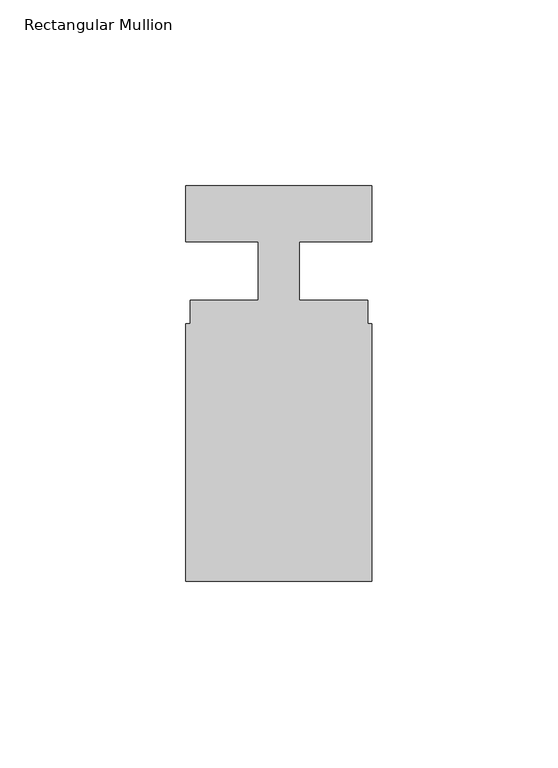
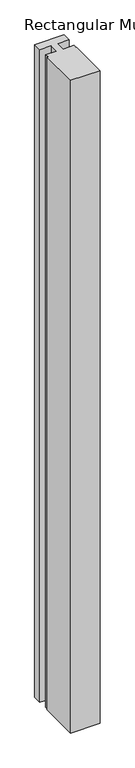
"""IFC4 building model written with IfcOpenShell, lengths in millimetres: member geometry, Rectangular Mullion."""

from ifc_helpers import new_model, si_unit, frame, origin, place, context, project, spatial, polyline, outline, extrude, source, transform, mapped, element, save


def rectangular_mullion_2772867e(model_context):
    return source(origin(), model_context, "Body", "SweptSolid", [
        extrude(outline(polyline([(25.0, -80.3), (-25.0, -80.3), (-25.0, -11.0), (-23.9, -11.0), (-23.9, -4.8), (-5.4999998, -4.8), (-5.4999998, 11.0), (-25.0, 11.0), (-25.0, 26.0), (25.0, 26.0), (25.0, 11.0), (5.5, 11.0), (5.5, -4.8), (23.9, -4.8), (23.9, -11.0), (25.0, -11.0), (25.0, -80.3)])), frame((0.0, 0.0, -1175.0), z_axis=(0.0, 0.0, 1.0), x_axis=(1.0, 0.0, 0.0)), (0.0, 0.0, 1.0), 1175.0),
    ])


if __name__ == "__main__":
    model = new_model("IFC4")
    model_context = context("Model", 3, world=origin())
    ifc_project = project(units=[si_unit("LENGTHUNIT", "METRE", prefix="MILLI")], contexts=[model_context])
    site = spatial("IfcSite", under=ifc_project)
    building = spatial("IfcBuilding", under=site)
    placement = place(None, origin())
    rectangular_mullion_shape = rectangular_mullion_2772867e(model_context)
    element("IfcMember", 1, ObjectType="Rectangular Mullion", at=placement, inside=building, context=model_context, shape_type="MappedRepresentation", body=[
        mapped(rectangular_mullion_shape, transform((0.0, 0.0, 0.0), x_axis=(1.0, 0.0, 0.0), y_axis=(0.0, 1.0, 0.0), z_axis=(0.0, 0.0, 1.0))),
    ])
    save(model, "model.ifc")
